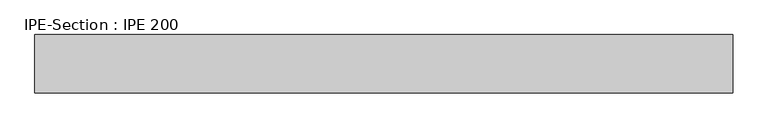
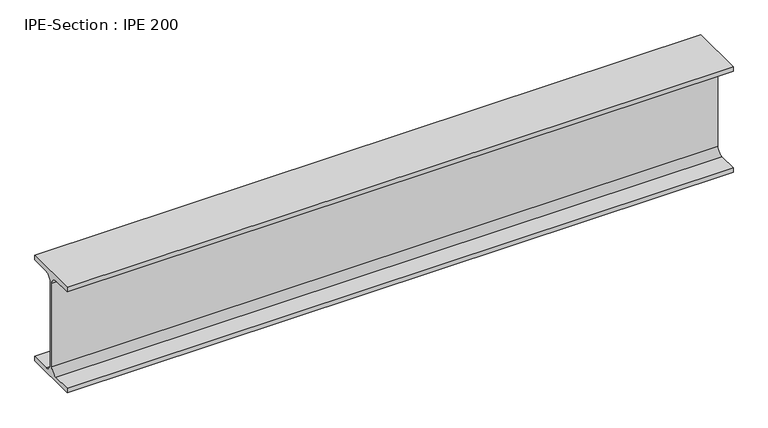
"""IFC4 building model written with IfcOpenShell, lengths in millimetres: beam geometry, IPE-Section : IPE 200."""

from ifc_helpers import new_model, si_unit, point, frame, frame_2d, origin, place, context, project, spatial, polyline, circle_curve, trimmed, segment, composite_curve, outline, extrude, source, transform, mapped, element, save


def ipe_section_ipe_200_34fec5ca(model_context):
    return source(origin(), model_context, "Body", "SweptSolid", [
        extrude(outline(composite_curve([segment(polyline([(50.0, -91.5), (50.0, -100.0), (-50.0, -100.0), (-50.0, -91.5), (-14.8, -91.5)]), True, "CONTINUOUS"), segment(trimmed(circle_curve(frame_2d((-14.8, -79.5)), 12.0), [point((-14.8, -91.5))], [point((-2.8, -79.5))], True, "CARTESIAN"), True, "CONTINUOUS"), segment(polyline([(-2.8, -79.5), (-2.8, 79.5)]), True, "CONTINUOUS"), segment(trimmed(circle_curve(frame_2d((-14.8, 79.5)), 12.0), [point((-2.8, 79.5))], [point((-14.8, 91.5))], True, "CARTESIAN"), True, "CONTINUOUS"), segment(polyline([(-14.8, 91.5), (-50.0, 91.5), (-50.0, 100.0), (50.0, 100.0), (50.0, 91.5), (14.8, 91.5)]), True, "CONTINUOUS"), segment(trimmed(circle_curve(frame_2d((14.8, 79.5)), 12.0), [point((14.8, 91.5))], [point((2.8, 79.5))], True, "CARTESIAN"), True, "CONTINUOUS"), segment(polyline([(2.8, 79.5), (2.8, -79.5)]), True, "CONTINUOUS"), segment(trimmed(circle_curve(frame_2d((14.8, -79.5)), 12.0), [point((2.8, -79.5))], [point((14.8, -91.5))], True, "CARTESIAN"), True, "CONTINUOUS"), segment(polyline([(14.8, -91.5), (50.0, -91.5)]), True, "CONTINUOUS")], self_intersect=False)), frame((-620.7573388, 0.0, 0.0), z_axis=(1.0, 0.0, 0.0), x_axis=(0.0, 1.0, 0.0)), (0.0, 0.0, 1.0), 1195.7414613),
    ])


if __name__ == "__main__":
    model = new_model("IFC4")
    model_context = context("Model", 3, world=origin())
    ifc_project = project(units=[si_unit("LENGTHUNIT", "METRE", prefix="MILLI")], contexts=[model_context])
    site = spatial("IfcSite", under=ifc_project)
    building = spatial("IfcBuilding", under=site)
    placement = place(None, origin())
    ipe_section_ipe_200_shape = ipe_section_ipe_200_34fec5ca(model_context)
    element("IfcBeam", 1, ObjectType="IPE-Section : IPE 200", at=placement, inside=building, context=model_context, shape_type="MappedRepresentation", body=[
        mapped(ipe_section_ipe_200_shape, transform((0.0, 0.0, 0.0), x_axis=(1.0, 0.0, 0.0), y_axis=(0.0, 1.0, 0.0), z_axis=(0.0, 0.0, 1.0))),
    ])
    save(model, "model.ifc")
